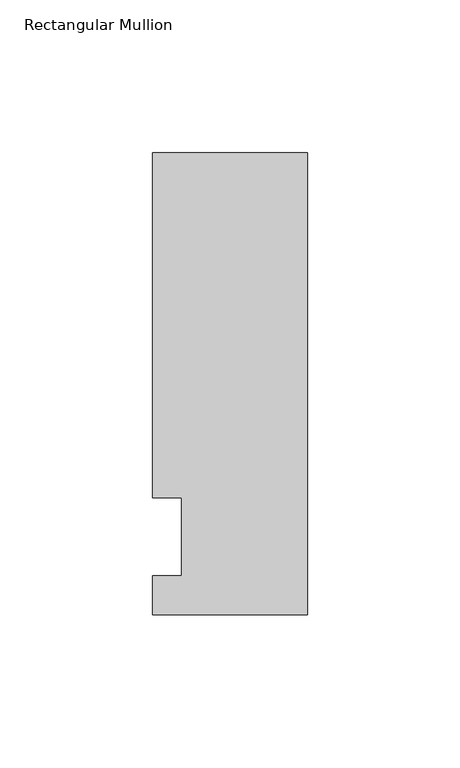
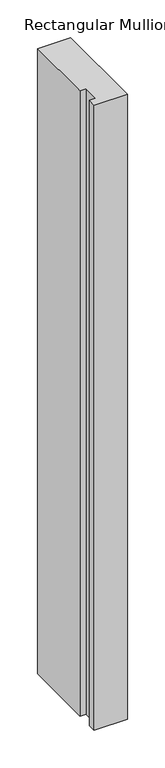
"""IFC4 building model written with IfcOpenShell, lengths in millimetres: member geometry, Rectangular Mullion."""

from ifc_helpers import new_model, si_unit, frame, origin, place, context, project, spatial, polyline, outline, extrude, source, transform, mapped, element, save


def rectangular_mullion_4b82a2fa(model_context):
    return source(origin(), model_context, "Body", "SweptSolid", [
        extrude(outline(polyline([(-50.8, -25.5827379), (-50.8, -12.7), (-41.275, -12.7), (-41.275, 12.7), (-50.8, 12.7), (-50.8, 125.8533), (0.0, 125.8533), (0.0, -25.5827379), (-50.8, -25.5827379)])), frame((0.0, 0.0, -1016.0), z_axis=(0.0, 0.0, 1.0), x_axis=(1.0, 0.0, 0.0)), (0.0, 0.0, 1.0), 1016.0),
    ])


if __name__ == "__main__":
    model = new_model("IFC4")
    model_context = context("Model", 3, world=origin())
    ifc_project = project(units=[si_unit("LENGTHUNIT", "METRE", prefix="MILLI")], contexts=[model_context])
    site = spatial("IfcSite", under=ifc_project)
    building = spatial("IfcBuilding", under=site)
    placement = place(None, origin())
    rectangular_mullion_shape = rectangular_mullion_4b82a2fa(model_context)
    element("IfcMember", 1, ObjectType="Rectangular Mullion", at=placement, inside=building, context=model_context, shape_type="MappedRepresentation", body=[
        mapped(rectangular_mullion_shape, transform((0.0, 0.0, 0.0), x_axis=(1.0, 0.0, 0.0), y_axis=(0.0, 1.0, 0.0), z_axis=(0.0, 0.0, 1.0))),
    ])
    save(model, "model.ifc")
